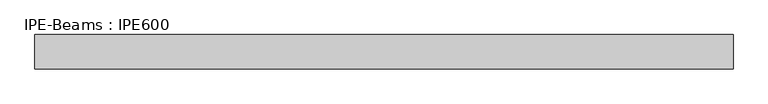
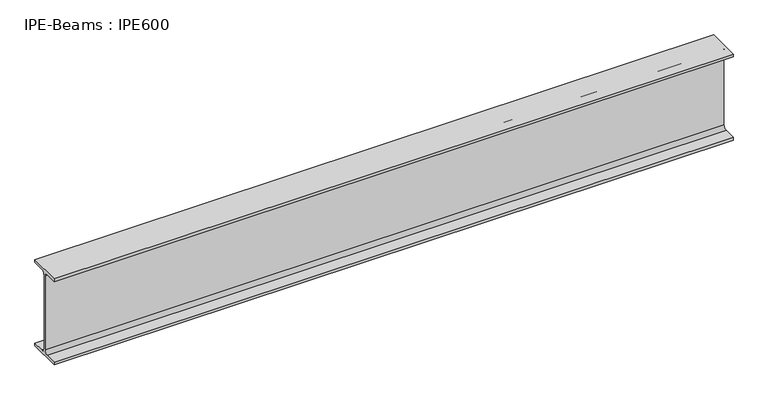
"""IFC4 building model written with IfcOpenShell, lengths in millimetres: beam geometry, IPE-Beams : IPE600."""

from ifc_helpers import new_model, si_unit, point, frame, frame_2d, origin, place, context, project, spatial, polyline, circle_curve, trimmed, segment, composite_curve, outline, extrude, source, transform, mapped, element, save


def ipe_beams_ipe600_b35ce35b(model_context):
    return source(origin(), model_context, "Body", "SweptSolid", [
        extrude(outline(composite_curve([segment(polyline([(110.0, -281.0), (110.0, -300.0), (-110.0, -300.0), (-110.0, -281.0), (-30.0, -281.0)]), True, "CONTINUOUS"), segment(trimmed(circle_curve(frame_2d((-30.0, -257.0)), 24.0), [point((-30.0, -281.0))], [point((-6.0, -257.0))], True, "CARTESIAN"), True, "CONTINUOUS"), segment(polyline([(-6.0, -257.0), (-6.0, 257.0)]), True, "CONTINUOUS"), segment(trimmed(circle_curve(frame_2d((-30.0, 257.0)), 24.0), [point((-6.0, 257.0))], [point((-30.0, 281.0))], True, "CARTESIAN"), True, "CONTINUOUS"), segment(polyline([(-30.0, 281.0), (-110.0, 281.0), (-110.0, 300.0), (110.0, 300.0), (110.0, 281.0), (30.0, 281.0)]), True, "CONTINUOUS"), segment(trimmed(circle_curve(frame_2d((30.0, 257.0)), 24.0), [point((30.0, 281.0))], [point((6.0, 257.0))], True, "CARTESIAN"), True, "CONTINUOUS"), segment(polyline([(6.0, 257.0), (6.0, -257.0)]), True, "CONTINUOUS"), segment(trimmed(circle_curve(frame_2d((30.0, -257.0)), 24.0), [point((6.0, -257.0))], [point((30.0, -281.0))], True, "CARTESIAN"), True, "CONTINUOUS"), segment(polyline([(30.0, -281.0), (110.0, -281.0)]), True, "CONTINUOUS")], self_intersect=False)), frame((-2520.0, 0.0, 0.0), z_axis=(1.0, 0.0, 0.0), x_axis=(0.0, 1.0, 0.0)), (0.0, 0.0, 1.0), 4480.0),
    ])


if __name__ == "__main__":
    model = new_model("IFC4")
    model_context = context("Model", 3, world=origin())
    ifc_project = project(units=[si_unit("LENGTHUNIT", "METRE", prefix="MILLI")], contexts=[model_context])
    site = spatial("IfcSite", under=ifc_project)
    building = spatial("IfcBuilding", under=site)
    placement = place(None, origin())
    ipe_beams_ipe600_shape = ipe_beams_ipe600_b35ce35b(model_context)
    element("IfcBeam", 1, ObjectType="IPE-Beams : IPE600", at=placement, inside=building, context=model_context, shape_type="MappedRepresentation", body=[
        mapped(ipe_beams_ipe600_shape, transform((0.0, 0.0, 0.0), x_axis=(1.0, 0.0, 0.0), y_axis=(0.0, 1.0, 0.0), z_axis=(0.0, 0.0, 1.0))),
    ])
    save(model, "model.ifc")
